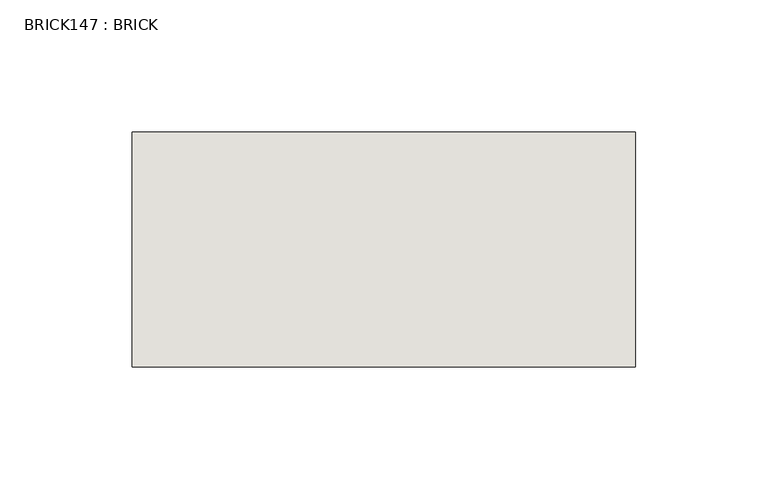
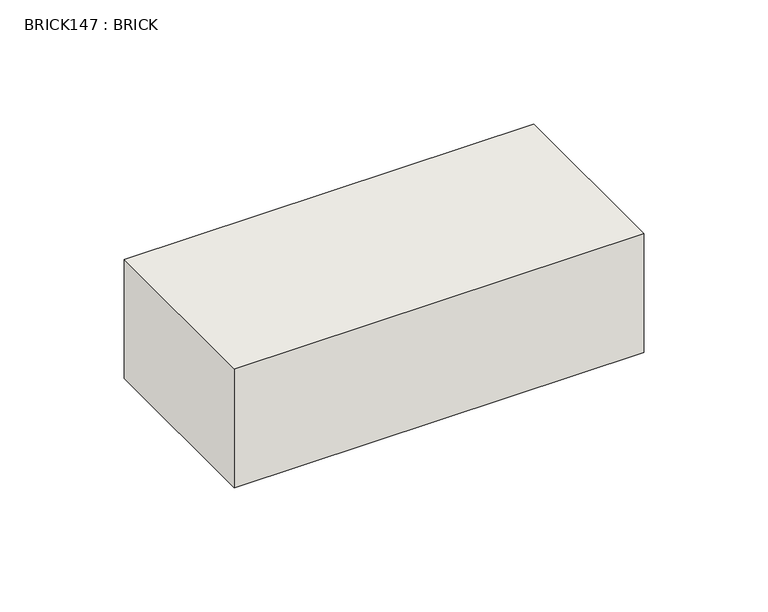
"""IFC4 building model written with IfcOpenShell, lengths in millimetres: wall geometry, BRICK147 : BRICK."""

from ifc_helpers import new_model, si_unit, frame, origin, place, context, project, spatial, polyline, outline, extrude, source, transform, mapped, element, save


def brick147_brick_7a6c723f(model_context):
    return source(origin(), model_context, "Body", "SweptSolid", [
        extrude(outline(polyline([(-80.6727406, 2586.2274125), (109.8272594, 2586.2274125), (109.8272594, 2497.3274125), (-80.6727406, 2497.3274125), (-80.6727406, 2586.2274125)])), frame((0.0, 0.0, 143.8671875), z_axis=(0.0, 0.0, 1.0), x_axis=(1.0, 0.0, 0.0)), (0.0, 0.0, 1.0), 58.4398437),
    ])


if __name__ == "__main__":
    model = new_model("IFC4")
    model_context = context("Model", 3, world=origin())
    ifc_project = project(units=[si_unit("LENGTHUNIT", "METRE", prefix="MILLI")], contexts=[model_context])
    site = spatial("IfcSite", under=ifc_project)
    building = spatial("IfcBuilding", under=site)
    placement = place(None, origin())
    brick147_brick_shape = brick147_brick_7a6c723f(model_context)
    element("IfcWall", 1, ObjectType="BRICK147 : BRICK", at=placement, inside=building, context=model_context, shape_type="MappedRepresentation", body=[
        mapped(brick147_brick_shape, transform((0.0, 0.0, 0.0), x_axis=(1.0, 0.0, 0.0), y_axis=(0.0, 1.0, 0.0), z_axis=(0.0, 0.0, 1.0))),
    ])
    save(model, "model.ifc")
